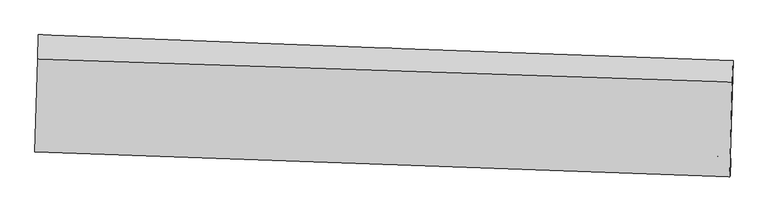
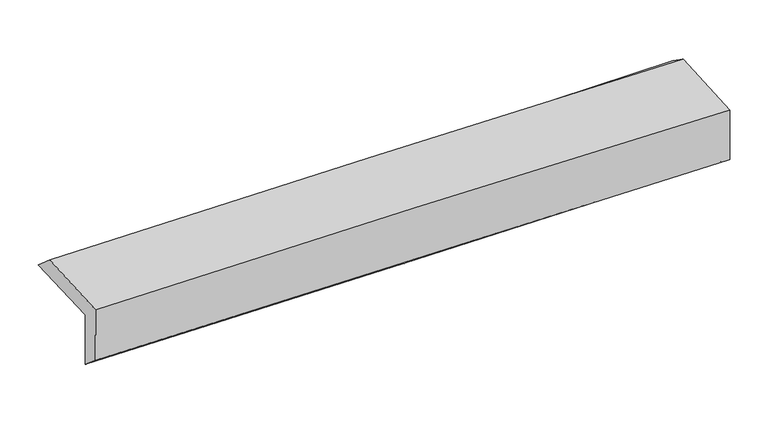
"""IFC4 building model written with IfcOpenShell, lengths in millimetres: proxy geometry."""

from ifc_helpers import new_model, si_unit, frame, origin, place, context, project, spatial, source, transform, mapped, element, save
from ifc_brep_helpers import plane_surface, spline_curve, spline_surface, advanced_brep


def generic_models_17b99e71(model_context):
    return source(origin(), model_context, "Body", "AdvancedBrep", [
        advanced_brep(
        [(-2393.9374418, -1712.1570896, 1999.2839362), (-2374.5048568, -1050.5843544, 1995.7362409), (2382.0327083, -1226.5747644, 2093.4261035), (2362.8511291, -1886.1954648, 2081.9109566), (-2390.8605403, -1705.1289358, 1591.5656854), (2365.08342, -1904.1750347, 1690.4236341), (-2395.9225856, -1847.9749644, 1715.3524386), (2361.1341928, -2018.1808573, 1778.4445573), (-2399.0312078, -1855.0755735, 2127.2739776), (2358.079289, -2025.1587645, 2183.2478947), (-2380.3837454, -1216.7400829, 2138.4181841), (2377.022851, -1373.7230564, 2194.6201543)],
        [
            (0, 1),
            (1, 2, spline_curve(3, [(-2374.5048568, -1050.5843544, 1995.7362409), (-1578.330204222, -1081.022678176, 2000.227490542), (-782.216209402, -1110.966664508, 2010.67246283), (803.29531154, -1169.621977265, 2043.333992453), (1592.693838329, -1198.341461065, 2065.452307702), (2382.0327083, -1226.5747644, 2093.4261035)], [4, 2, 4], [0.0, 7.842249305684479, 15.619527044071415])),
            (2, 3),
            (3, 0, spline_curve(3, [(2362.8511291, -1886.1954648, 2081.9109566), (1573.497700843, -1856.152837166, 2061.443409485), (784.071120954, -1826.686247503, 2044.338646257), (-801.523842105, -1768.663791123, 2016.73988591), (-1597.693452498, -1740.117589094, 2006.302309117), (-2393.9374418, -1712.1570896, 1999.2839362)], [4, 2, 4], [0.0, 7.777277738386935, 15.619527044071415])),
            (4, 0),
            (3, 5),
            (5, 4, spline_curve(3, [(2365.08342, -1904.1750347, 1690.4236341), (1576.129521662, -1861.696567714, 1664.792227195), (786.973337517, -1823.919517914, 1643.753445458), (-798.337921762, -1757.49193885, 1610.723741754), (-1594.496391216, -1728.920288837, 1598.809873648), (-2390.8605403, -1705.1289358, 1591.5656854)], [4, 2, 4], [0.0, 7.777511646003728, 15.619996813374918])),
            (6, 4),
            (5, 7),
            (7, 6, spline_curve(3, [(2361.1341928, -2018.1808573, 1778.4445573), (1571.655905571, -1990.045469813, 1767.352375711), (782.144471423, -1961.85318875, 1756.569187742), (-803.540565247, -1905.11884576, 1735.533297384), (-1599.714723973, -1876.575829063, 1725.285779023), (-2395.9225856, -1847.9749644, 1715.3524386)], [4, 2, 4], [0.0, 7.7772495258493795, 15.619470383308078])),
            (8, 6),
            (7, 9),
            (9, 8, spline_curve(3, [(2358.079289, -2025.1587645, 2183.2478947), (1568.524086219, -1997.199065046, 2182.347754739), (778.969594734, -1969.105133645, 2177.270043913), (-806.733916004, -1912.412988795, 2158.68216204), (-1602.882923756, -1883.812523202, 2145.101900418), (-2399.0312078, -1855.0755735, 2127.2739776)], [4, 2, 4], [0.0, 7.776759575615498, 15.618486389784149])),
            (10, 8),
            (9, 11),
            (11, 10, spline_curve(3, [(2377.022851, -1373.7230564, 2194.6201543), (1587.388356857, -1348.985947885, 2193.663865625), (797.769584932, -1323.592635958, 2188.539117109), (-788.032877806, -1271.275987961, 2169.875064602), (-1584.21630454, -1244.341641962, 2156.265823164), (-2380.3837454, -1216.7400829, 2138.4181841)], [4, 2, 4], [0.0, 7.776700487379089, 15.618367719686768])),
            (1, 10),
            (11, 2),
        ],
        [
            spline_surface(3, 3, [[(-2393.9374418, -1712.1570896, 1999.2839362), (-1597.693452447, -1740.117589168, 2006.302309116), (-801.523842067, -1768.663791101, 2016.739885891), (784.071120917, -1826.686247525, 2044.338646276), (1573.497700817, -1856.152837281, 2061.443409611), (2362.8511291, -1886.1954648, 2081.9109566)], [(-2387.459913438, -1491.63284454, 1998.101371085), (-1591.239036315, -1520.419285498, 2004.277369547), (-795.087964492, -1549.431415541, 2014.71741149), (790.47918442, -1607.664824142, 2044.003761695), (1579.896413336, -1636.88237854, 2062.779708994), (2369.244988837, -1666.321897996, 2085.749338881)], [(-2380.982385162, -1271.10859946, 1996.918806015), (-1584.784620269, -1300.720981808, 2002.252430024), (-788.65208689, -1330.199039968, 2012.694937119), (796.88724795, -1388.643400746, 2043.668877144), (1586.295125843, -1417.611919811, 2064.116008434), (2375.638848563, -1446.448331204, 2089.587721219)], [(-2374.5048568, -1050.5843544, 1995.7362409), (-1578.330204137, -1081.022678138, 2000.227490455), (-782.216209315, -1110.966664408, 2010.672462719), (803.295311454, -1169.621977364, 2043.333992564), (1592.693838362, -1198.341461071, 2065.452307817), (2382.0327083, -1226.5747644, 2093.4261035)]], [4, 4], [4, 2, 4], [0.0, 2.1577272557976936], [0.0, 7.842249305684479, 15.619527044071415]),
            spline_surface(3, 3, [[(-2390.8605403, -1705.1289358, 1591.5656854), (-1594.496391224, -1728.920288769, 1598.809873668), (-798.337921876, -1757.491938762, 1610.723741644), (786.973337629, -1823.919518001, 1643.753445568), (1576.129521736, -1861.696567671, 1664.792227098), (2365.08342, -1904.1750347, 1690.4236341)], [(-2391.886174147, -1707.471653716, 1727.471769017), (-1595.562078312, -1732.652722218, 1734.640685501), (-799.399895286, -1761.215889555, 1746.062456393), (786.005932045, -1824.841761188, 1777.281845804), (1575.252248102, -1859.84865756, 1797.009287934), (2364.33932304, -1898.181844752, 1820.919408265)], [(-2392.911807953, -1709.814371684, 1863.377852583), (-1596.627765359, -1736.385155719, 1870.471497284), (-800.461868656, -1764.939840309, 1881.401171142), (785.038526501, -1825.764004338, 1910.81024604), (1574.37497445, -1858.000747392, 1929.226348775), (2363.59522606, -1892.188654748, 1951.415182435)], [(-2393.9374418, -1712.1570896, 1999.2839362), (-1597.693452447, -1740.117589168, 2006.302309116), (-801.523842067, -1768.663791101, 2016.739885891), (784.071120917, -1826.686247525, 2044.338646276), (1573.497700817, -1856.152837281, 2061.443409611), (2362.8511291, -1886.1954648, 2081.9109566)]], [4, 4], [4, 2, 4], [0.0, 1.3234760635149003], [0.0, 7.84248516737119, 15.619996813374918]),
            spline_surface(3, 3, [[(-2395.9225856, -1847.9749644, 1715.3524386), (-1599.714723925, -1876.575829027, 1725.285779062), (-803.540565243, -1905.118845703, 1735.533297322), (782.144471419, -1961.853188807, 1756.569187803), (1571.655905547, -1990.045469726, 1767.352375769), (2361.1341928, -2018.1808573, 1778.4445573)], [(-2394.235237166, -1800.359621545, 1674.09018753), (-1597.975279691, -1827.357315619, 1683.127143928), (-801.806350769, -1855.909876726, 1693.930112102), (783.754093506, -1915.875298542, 1718.963940397), (1573.147110938, -1947.262502352, 1733.165659569), (2362.450601862, -1980.178916411, 1749.10424959)], [(-2392.547888734, -1752.744278655, 1632.82793647), (-1596.235835458, -1778.138802177, 1640.968508803), (-800.072136349, -1806.700907739, 1652.326926864), (785.363715541, -1869.897408267, 1681.358692974), (1574.638316344, -1904.479535045, 1698.978943298), (2363.767010938, -1942.176975589, 1719.76394181)], [(-2390.8605403, -1705.1289358, 1591.5656854), (-1594.496391224, -1728.920288769, 1598.809873668), (-798.337921876, -1757.491938762, 1610.723741644), (786.973337629, -1823.919518001, 1643.753445568), (1576.129521736, -1861.696567671, 1664.792227098), (2365.08342, -1904.1750347, 1690.4236341)]], [4, 4], [4, 2, 4], [0.0, 0.6098399076215073], [0.0, 7.842220857458699, 15.619470383308078]),
            spline_surface(3, 3, [[(-2399.0312078, -1855.0755735, 2127.2739776), (-1602.882923672, -1883.812523129, 2145.101900511), (-806.733916082, -1912.412988775, 2158.682162098), (778.969594812, -1969.105133665, 2177.270043855), (1568.524086112, -1997.199065, 2182.347754642), (2358.079289, -2025.1587645, 2183.2478947)], [(-2397.99500039, -1852.708703811, 1989.966797913), (-1601.826857079, -1881.400291773, 2005.163193341), (-805.669465822, -1909.981607729, 2017.632540483), (780.027886995, -1966.687818691, 2037.036425148), (1569.568025907, -1994.814533263, 2044.015961672), (2359.09759025, -2022.832795454, 2048.313448888)], [(-2396.95879301, -1850.341834089, 1852.659618287), (-1600.770790518, -1878.988060383, 1865.224486232), (-804.605015503, -1907.550226748, 1876.582918937), (781.086179236, -1964.270503781, 1896.80280651), (1570.611965752, -1992.430001464, 1905.684168739), (2360.11589155, -2020.506826346, 1913.379003112)], [(-2395.9225856, -1847.9749644, 1715.3524386), (-1599.714723925, -1876.575829027, 1725.285779062), (-803.540565243, -1905.118845703, 1735.533297322), (782.144471419, -1961.853188807, 1756.569187803), (1571.655905547, -1990.045469726, 1767.352375769), (2361.1341928, -2018.1808573, 1778.4445573)]], [4, 4], [4, 2, 4], [0.0, 1.3845456162461596], [0.0, 7.841726814168651, 15.618486389784149]),
            spline_surface(3, 3, [[(-2380.3837454, -1216.7400829, 2138.4181841), (-1584.216304623, -1244.341641846, 2156.265823183), (-788.032877728, -1271.275987875, 2169.875064697), (797.769584854, -1323.592636044, 2188.539117015), (1587.388356766, -1348.985947834, 2193.663865575), (2377.022851, -1373.7230564, 2194.6201543)], [(-2386.599566226, -1429.518579755, 2134.703448604), (-1590.438510998, -1457.498602262, 2152.544515629), (-794.266557152, -1484.988321504, 2166.144097164), (791.502921534, -1538.763468581, 2184.782759295), (1581.100266547, -1565.05698688, 2189.891828601), (2370.708330333, -1590.868292424, 2190.829401103)], [(-2392.815386974, -1642.297076645, 2130.988713096), (-1596.660717296, -1670.655562713, 2148.823208064), (-800.500236658, -1698.700655145, 2162.413129631), (785.236258132, -1753.934301128, 2181.026401575), (1574.812176331, -1781.128025955, 2186.119791617), (2364.393809667, -1808.013528476, 2187.038647897)], [(-2399.0312078, -1855.0755735, 2127.2739776), (-1602.882923672, -1883.812523129, 2145.101900511), (-806.733916082, -1912.412988775, 2158.682162098), (778.969594812, -1969.105133665, 2177.270043855), (1568.524086112, -1997.199065, 2182.347754642), (2358.079289, -2025.1587645, 2183.2478947)]], [4, 4], [4, 2, 4], [0.0, 2.111803640086585], [0.0, 7.841667232307679, 15.618367719686768]),
            spline_surface(3, 3, [[(-2374.5048568, -1050.5843544, 1995.7362409), (-1578.330204137, -1081.022678138, 2000.227490455), (-782.216209315, -1110.966664408, 2010.672462719), (803.295311454, -1169.621977364, 2043.333992564), (1592.693838362, -1198.341461071, 2065.452307817), (2382.0327083, -1226.5747644, 2093.4261035)], [(-2376.464486333, -1105.969597234, 2043.296888652), (-1580.292237632, -1135.462332707, 2052.240268049), (-784.155098789, -1164.403105568, 2063.739996738), (801.453402585, -1220.945530262, 2091.735700741), (1590.925344509, -1248.556289988, 2108.189493744), (2380.362755879, -1275.624195063, 2127.157453774)], [(-2378.424115867, -1161.354840066, 2090.857536348), (-1582.254271128, -1189.901987276, 2104.253045589), (-786.093988254, -1217.839546715, 2116.807530677), (799.611493724, -1272.269083146, 2140.137408838), (1589.156850619, -1298.771118917, 2150.926679649), (2378.692803421, -1324.673625737, 2160.888804026)], [(-2380.3837454, -1216.7400829, 2138.4181841), (-1584.216304623, -1244.341641846, 2156.265823183), (-788.032877728, -1271.275987875, 2169.875064697), (797.769584854, -1323.592636044, 2188.539117015), (1587.388356766, -1348.985947834, 2193.663865575), (2377.022851, -1373.7230564, 2194.6201543)]], [4, 4], [4, 2, 4], [0.0, 0.7181744360758934], [0.0, 7.841719881404568, 15.618472581692634]),
            plane_surface(frame((2367.7005984, -1739.0013237, 2003.6788834), z_axis=(0.9995491036127044, -0.02918949899482347, 0.007040072121111613), x_axis=(0.00754530101613347, 0.017234719701220893, -0.9998230007703345))),
            plane_surface(frame((-2389.1067296, -1564.6101667, 1927.9384105), z_axis=(-0.9995452353589835, 0.02932221808862717, -0.007037755147593362), x_axis=(-0.02936023100300148, -0.9995545237039146, 0.005360128589029371))),
        ],
        [
            (0, [[1, 2, 3, 4]]),
            (1, [[5, -4, 6, 7]]),
            (2, [[8, -7, 9, 10]]),
            (3, [[11, -10, 12, 13]]),
            (4, [[14, -13, 15, 16]]),
            (5, [[17, -16, 18, -2]]),
            (6, [[-12, -9, -6, -3, -18, -15]]),
            (7, [[-1, -5, -8, -11, -14, -17]]),
        ],
    ),
    ])


if __name__ == "__main__":
    model = new_model("IFC4")
    model_context = context("Model", 3, world=origin())
    ifc_project = project(units=[si_unit("LENGTHUNIT", "METRE", prefix="MILLI")], contexts=[model_context])
    site = spatial("IfcSite", under=ifc_project)
    building = spatial("IfcBuilding", under=site)
    placement = place(None, origin())
    generic_models_shape = generic_models_17b99e71(model_context)
    element("IfcBuildingElementProxy", 1, Name="Generic Models", at=placement, inside=building, context=model_context, shape_type="MappedRepresentation", body=[
        mapped(generic_models_shape, transform((0.0, 0.0, 0.0), x_axis=(1.0, 0.0, 0.0), y_axis=(0.0, 1.0, 0.0), z_axis=(0.0, 0.0, 1.0))),
    ])
    save(model, "model.ifc")
